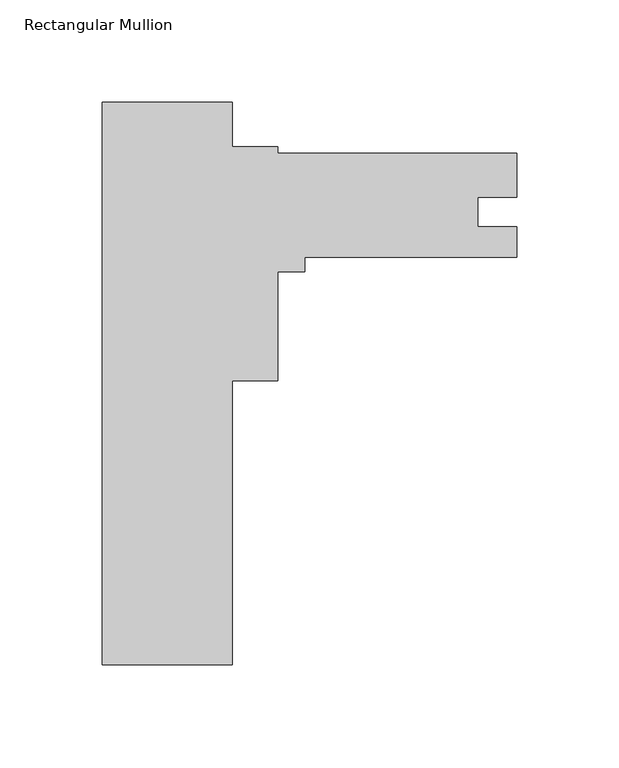
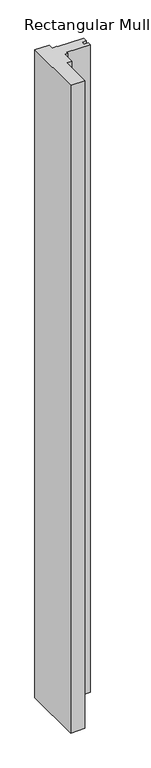
"""IFC4 building model written with IfcOpenShell, lengths in millimetres: member geometry, Rectangular Mullion."""

from ifc_helpers import new_model, si_unit, frame, origin, place, context, project, spatial, polyline, outline, extrude, source, transform, mapped, element, save


def rectangular_mullion_c6319296(model_context):
    return source(origin(), model_context, "Body", "SweptSolid", [
        extrude(outline(polyline([(-202.3110013, 0.0), (-138.8110013, 0.0), (-138.8110013, -21.7742644), (-116.5860013, -21.7742644), (-116.5860013, -24.9492644), (-1.3e-06, -24.9492644), (-1.3e-06, -46.3322655), (-19.0246, -46.3322655), (-19.0246, -60.6489644), (0.0, -60.6489644), (0.0, -75.7492644), (-103.4034013, -75.7492644), (-103.4034013, -82.7813167), (-116.5860013, -82.7813167), (-116.5860013, -136.0742644), (-138.8110013, -136.0742644), (-138.8110013, -274.5994), (-202.3110013, -274.5994), (-202.3110013, 0.0)])), frame((0.0, 0.0, -3048.0), z_axis=(0.0, 0.0, 1.0), x_axis=(1.0, 0.0, 0.0)), (0.0, 0.0, 1.0), 3048.0),
    ])


if __name__ == "__main__":
    model = new_model("IFC4")
    model_context = context("Model", 3, world=origin())
    ifc_project = project(units=[si_unit("LENGTHUNIT", "METRE", prefix="MILLI")], contexts=[model_context])
    site = spatial("IfcSite", under=ifc_project)
    building = spatial("IfcBuilding", under=site)
    placement = place(None, origin())
    rectangular_mullion_shape = rectangular_mullion_c6319296(model_context)
    element("IfcMember", 1, ObjectType="Rectangular Mullion", at=placement, inside=building, context=model_context, shape_type="MappedRepresentation", body=[
        mapped(rectangular_mullion_shape, transform((0.0, 0.0, 0.0), x_axis=(1.0, 0.0, 0.0), y_axis=(0.0, 1.0, 0.0), z_axis=(0.0, 0.0, 1.0))),
    ])
    save(model, "model.ifc")
